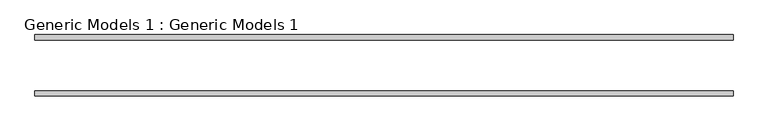
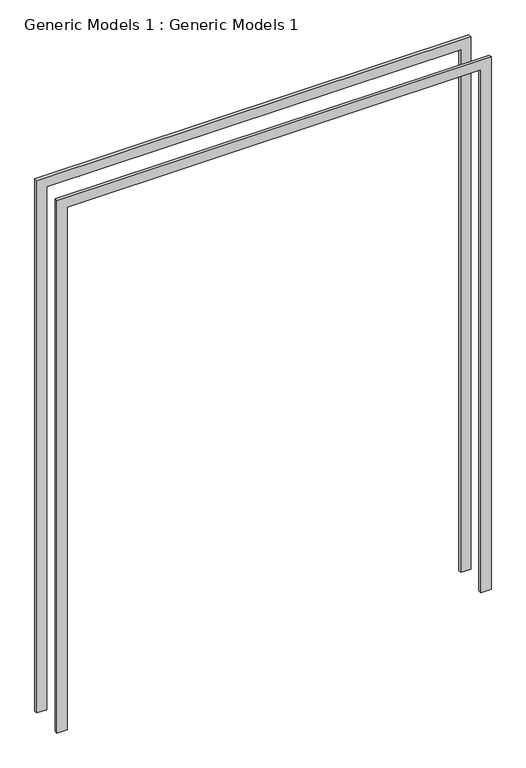
"""IFC4 building model written with IfcOpenShell, lengths in millimetres: proxy geometry, Generic Models 1 : Generic Models 1."""

from ifc_helpers import new_model, si_unit, frame, origin, place, context, project, spatial, polyline, outline, extrude, source, transform, mapped, element, save


def generic_models_1_generic_models_1_d5aed9a8(model_context):
    return source(origin(), model_context, "Body", "SweptSolid", [
        extrude(outline(polyline([(0.0, -1104.2590532), (0.0, -1063.4724707), (2243.7865824, -1063.4724707), (2243.7865824, -2796.0456356), (0.0, -2796.0456356), (0.0, -2755.2590532), (2203.0, -2755.2590532), (2203.0, -1104.2590532), (0.0, -1104.2590532)])), frame((0.0, 974.2113324, 0.0), z_axis=(0.0, 1.0, 0.0), x_axis=(0.0, 0.0, 1.0)), (0.0, 0.0, 1.0), 12.7),
        extrude(outline(polyline([(0.0, -1104.2590532), (0.0, -1063.4724707), (2243.7865824, -1063.4724707), (2243.7865824, -2796.0456356), (0.0, -2796.0456356), (0.0, -2755.2590532), (2203.0, -2755.2590532), (2203.0, -1104.2590532), (0.0, -1104.2590532)])), frame((0.0, 1113.9113324, 0.0), z_axis=(0.0, 1.0, 0.0), x_axis=(0.0, 0.0, 1.0)), (0.0, 0.0, 1.0), 12.7),
    ])


if __name__ == "__main__":
    model = new_model("IFC4")
    model_context = context("Model", 3, world=origin())
    ifc_project = project(units=[si_unit("LENGTHUNIT", "METRE", prefix="MILLI")], contexts=[model_context])
    site = spatial("IfcSite", under=ifc_project)
    building = spatial("IfcBuilding", under=site)
    placement = place(None, origin())
    generic_models_1_generic_models_1_shape = generic_models_1_generic_models_1_d5aed9a8(model_context)
    element("IfcBuildingElementProxy", 1, Name="Generic Models 1 : Generic Models 1", ObjectType="Generic Models 1 : Generic Models 1", at=placement, inside=building, context=model_context, shape_type="MappedRepresentation", body=[
        mapped(generic_models_1_generic_models_1_shape, transform((0.0, 0.0, 0.0), x_axis=(1.0, 0.0, 0.0), y_axis=(0.0, 1.0, 0.0), z_axis=(0.0, 0.0, 1.0))),
    ])
    save(model, "model.ifc")
